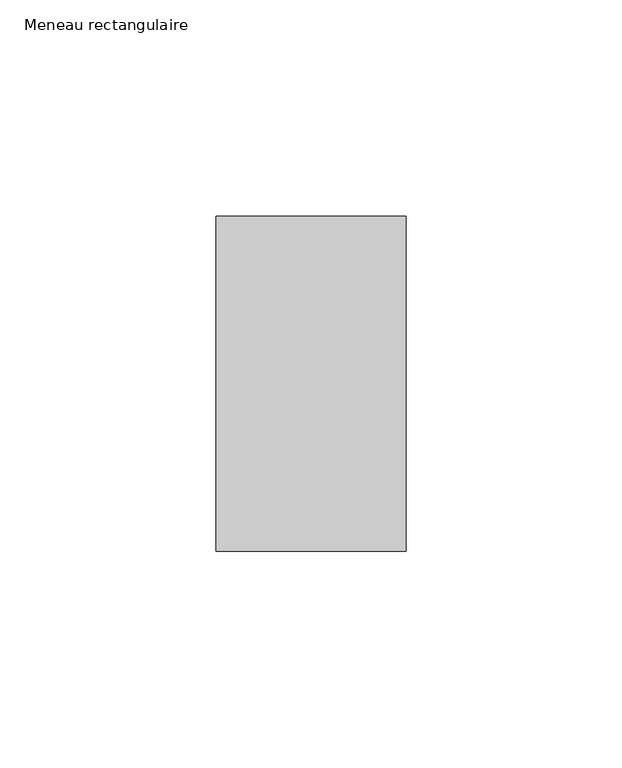
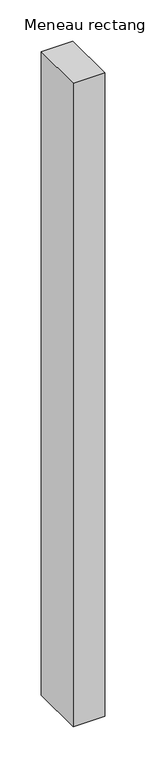
"""IFC4 building model written with IfcOpenShell, lengths in millimetres: member geometry, Meneau rectangulaire."""

from ifc_helpers import new_model, si_unit, frame, origin, place, context, project, spatial, polyline, outline, extrude, source, transform, mapped, element, save


def meneau_rectangulaire_2e815acf(model_context):
    return source(origin(), model_context, "Body", "SweptSolid", [
        extrude(outline(polyline([(-44.0, 38.75), (0.0, 38.75), (0.0, -38.75), (-44.0, -38.75), (-44.0, 38.75)])), frame((0.0, 0.0, -952.3373825), z_axis=(0.0, 0.0, 1.0), x_axis=(1.0, 0.0, 0.0)), (0.0, 0.0, 1.0), 952.3373825),
    ])


if __name__ == "__main__":
    model = new_model("IFC4")
    model_context = context("Model", 3, world=origin())
    ifc_project = project(units=[si_unit("LENGTHUNIT", "METRE", prefix="MILLI")], contexts=[model_context])
    site = spatial("IfcSite", under=ifc_project)
    building = spatial("IfcBuilding", under=site)
    placement = place(None, origin())
    meneau_rectangulaire_shape = meneau_rectangulaire_2e815acf(model_context)
    element("IfcMember", 1, ObjectType="Meneau rectangulaire", at=placement, inside=building, context=model_context, shape_type="MappedRepresentation", body=[
        mapped(meneau_rectangulaire_shape, transform((0.0, 0.0, 0.0), x_axis=(1.0, 0.0, 0.0), y_axis=(0.0, 1.0, 0.0), z_axis=(0.0, 0.0, 1.0))),
    ])
    save(model, "model.ifc")
